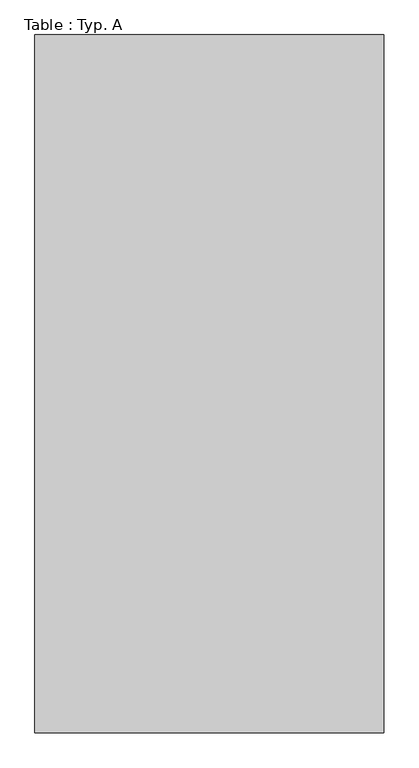
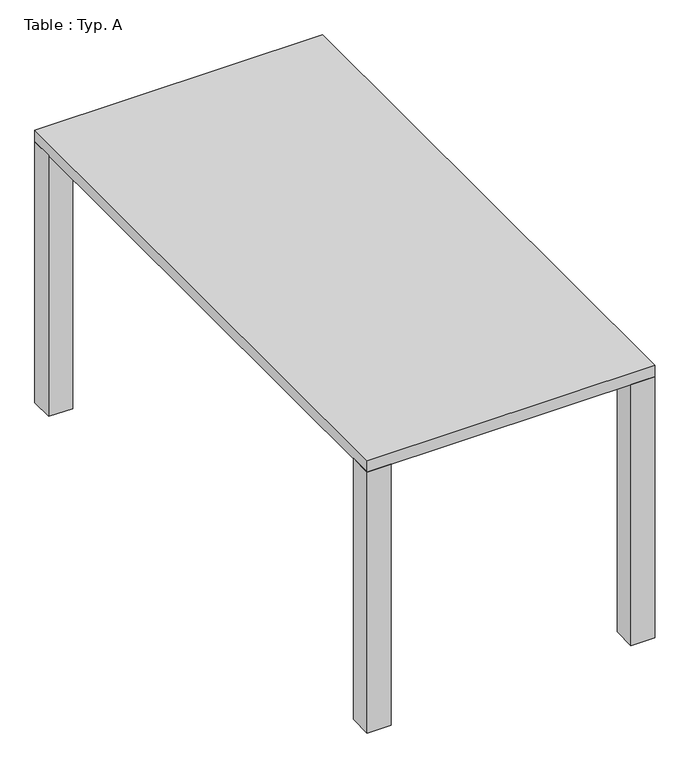
"""IFC4 building model written with IfcOpenShell, lengths in millimetres: furniture geometry, Table : Typ. A."""

from ifc_helpers import new_model, si_unit, frame, origin, origin_with_axes, place, context, project, spatial, polyline, outline, extrude, source, transform, mapped, element, save


def table_typ_a_7074a17a(model_context):
    return source(origin(), model_context, "Body", "SweptSolid", [
        extrude(outline(polyline([(50.8, 1168.4), (0.0, 1168.4), (0.0, 1219.2), (50.8, 1219.2), (50.8, 1168.4)])), origin_with_axes(), (0.0, 0.0, 1.0), 584.2),
        extrude(outline(polyline([(609.6, 1168.4), (558.8, 1168.4), (558.8, 1219.2), (609.6, 1219.2), (609.6, 1168.4)])), origin_with_axes(), (0.0, 0.0, 1.0), 584.2),
        extrude(outline(polyline([(609.6, 0.0), (558.8, 0.0), (558.8, 50.8), (609.6, 50.8), (609.6, 0.0)])), origin_with_axes(), (0.0, 0.0, 1.0), 584.2),
        extrude(outline(polyline([(50.8, 0.0), (0.0, 0.0), (0.0, 50.8), (50.8, 50.8), (50.8, 0.0)])), origin_with_axes(), (0.0, 0.0, 1.0), 584.2),
        extrude(outline(polyline([(609.6, 0.0), (0.0, 0.0), (0.0, 1219.2), (609.6, 1219.2), (609.6, 0.0)])), frame((0.0, 0.0, 584.2), z_axis=(0.0, 0.0, 1.0), x_axis=(1.0, 0.0, 0.0)), (0.0, 0.0, 1.0), 25.4),
    ])


if __name__ == "__main__":
    model = new_model("IFC4")
    model_context = context("Model", 3, world=origin())
    ifc_project = project(units=[si_unit("LENGTHUNIT", "METRE", prefix="MILLI")], contexts=[model_context])
    site = spatial("IfcSite", under=ifc_project)
    building = spatial("IfcBuilding", under=site)
    placement = place(None, origin())
    table_typ_a_shape = table_typ_a_7074a17a(model_context)
    element("IfcFurniture", 1, ObjectType="Table : Typ. A", at=placement, inside=building, context=model_context, shape_type="MappedRepresentation", body=[
        mapped(table_typ_a_shape, transform((0.0, 0.0, 0.0), x_axis=(1.0, 0.0, 0.0), y_axis=(0.0, 1.0, 0.0), z_axis=(0.0, 0.0, 1.0))),
    ])
    save(model, "model.ifc")
